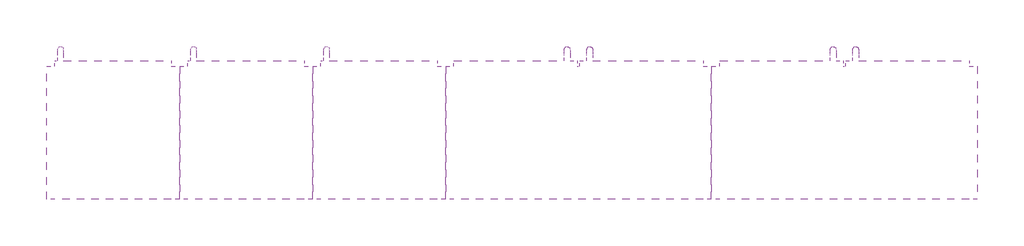
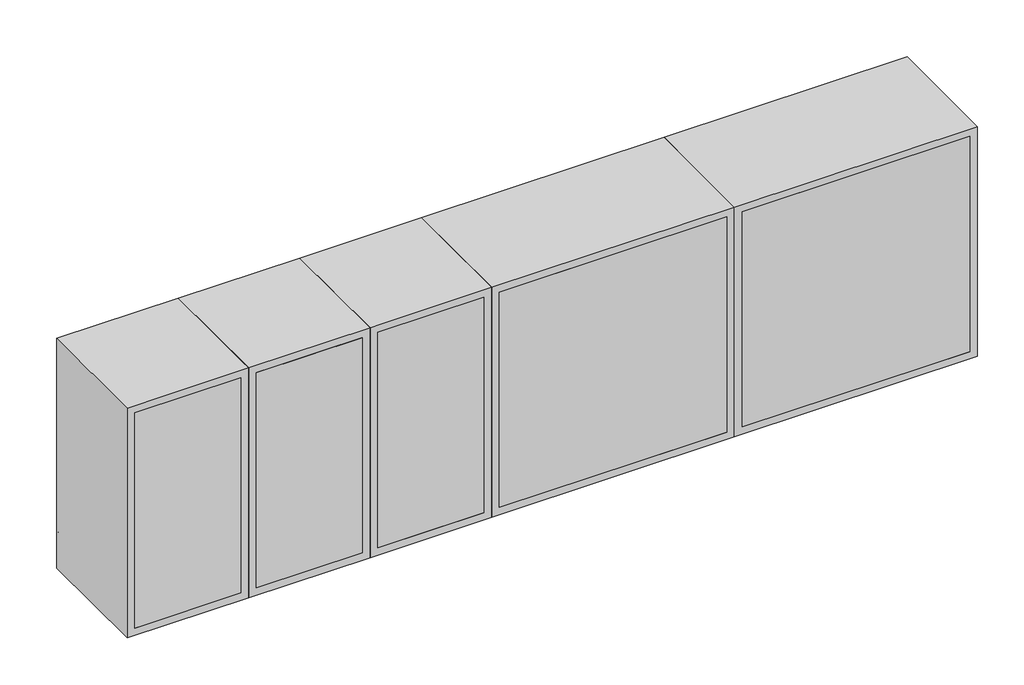
# One storey: 5 furniture elements.
"""IFC4 building model written with IfcOpenShell, lengths in millimetres."""

import ifcopenshell
import ifcopenshell.guid

model = None  # the IFC model being written
_history = None  # IfcOwnerHistory: only IFC2X3 demands one
_inside = {}  # id of a spatial element -> (the spatial element, [elements in it])
_under = {}  # id of a project, library or spatial element -> (it, [spatial elements below it])
_declared = {}  # id of a project -> (the project, [libraries it declares])
_typed = {}  # id of a type object -> (the type object, [elements of that type])
_made_of = {}  # id of a material, layer set ... -> (it, [elements and type objects made of it])


def new_model(schema):
    """Start an empty IFC model of exactly this schema.

    Asked for "IFC4X3", IfcOpenShell would pick the latest addendum, in which some entities
    have other attributes; the version numbers below select the first issue.
    IFC2X3 requires an IfcOwnerHistory on every rooted entity: one is made here for all.
    """
    global model, _history
    if schema == "IFC4X3":
        model = ifcopenshell.file(schema_version=(4, 3, 0, 0))
    else:
        model = ifcopenshell.file(schema=schema)
    _inside.clear()
    _under.clear()
    _declared.clear()
    _typed.clear()
    _made_of.clear()
    _history = None
    if model.schema == "IFC2X3":
        org = make("IfcOrganization", Name="unknown")
        user = make(
            "IfcPersonAndOrganization",
            ThePerson=make("IfcPerson", FamilyName="unknown"),
            TheOrganization=org,
        )
        app = make(
            "IfcApplication",
            ApplicationDeveloper=org,
            Version="unknown",
            ApplicationFullName="unknown",
            ApplicationIdentifier="unknown",
        )
        _history = make(
            "IfcOwnerHistory",
            OwningUser=user,
            OwningApplication=app,
            ChangeAction="ADDED",
            CreationDate=0,
        )
    return model


def make(cls, **values):
    """One entity of the class cls with the attributes given. An attribute that is None is left unset."""
    return model.create_entity(
        cls, **{name: value for name, value in values.items() if value is not None}
    )


def rooted(cls, **values):
    """An entity with a GlobalId (a new one), such as an element, a storey or a relation."""
    return make(cls, GlobalId=ifcopenshell.guid.new(), OwnerHistory=_history, **values)


def si_unit(unit_type, name, prefix=None):
    """IfcSIUnit, for example si_unit("LENGTHUNIT", "METRE", prefix="MILLI")."""
    return make("IfcSIUnit", UnitType=unit_type, Prefix=prefix, Name=name)


def assignment(units):
    """IfcUnitAssignment: the units of a project."""
    return None if units is None else make("IfcUnitAssignment", Units=units)


def point(xyz):
    """IfcCartesianPoint."""
    return None if xyz is None else make("IfcCartesianPoint", Coordinates=xyz)


def direction(xyz):
    """IfcDirection."""
    return None if xyz is None else make("IfcDirection", DirectionRatios=xyz)


def frame(location, z_axis=None, x_axis=None):
    """IfcAxis2Placement3D, a coordinate frame: its origin and axes. An axis left out is left unset."""
    return make(
        "IfcAxis2Placement3D",
        Location=point(location),
        Axis=direction(z_axis),
        RefDirection=direction(x_axis),
    )


def origin():
    """The frame at (0, 0, 0) with its axes left unset."""
    return frame((0.0, 0.0, 0.0))


def place(relative_to, where):
    """IfcLocalPlacement: puts the frame where relative to a parent placement (None: the world)."""
    return make(
        "IfcLocalPlacement", PlacementRelTo=relative_to, RelativePlacement=where
    )


def context(
    kind, dimensions, precision=None, world=None, true_north=None, identifier=None
):
    """IfcGeometricRepresentationContext, for example the 3D "Model" context."""
    return make(
        "IfcGeometricRepresentationContext",
        ContextIdentifier=identifier,
        ContextType=kind,
        CoordinateSpaceDimension=dimensions,
        Precision=precision,
        WorldCoordinateSystem=world,
        TrueNorth=true_north,
    )


def project(units=None, contexts=None):
    """IfcProject with its units and contexts."""
    return rooted(
        "IfcProject",
        Name="project",
        RepresentationContexts=contexts,
        UnitsInContext=assignment(units),
    )


def spatial(cls, under=None, at=None, **own):
    """A site, building, storey or space (cls), placed at a placement, below another one or the project."""
    s = rooted(cls, ObjectPlacement=at, **own)
    if under is not None:
        _under.setdefault(under.id(), (under, []))[1].append(s)
    return s


def polyline(points):
    """IfcPolyline through the points."""
    return make("IfcPolyline", Points=[point(p) for p in points])


def circle_curve(where, radius):
    """IfcCircle in the frame where."""
    return make("IfcCircle", Position=where, Radius=radius)


def ellipse_curve(where, semi_axis1, semi_axis2):
    """IfcEllipse in the frame where."""
    return make(
        "IfcEllipse", Position=where, SemiAxis1=semi_axis1, SemiAxis2=semi_axis2
    )


def trimmed(basis, trim1, trim2, sense, master):
    """IfcTrimmedCurve: the piece of a basis curve between two trims."""
    return make(
        "IfcTrimmedCurve",
        BasisCurve=basis,
        Trim1=trim1,
        Trim2=trim2,
        SenseAgreement=sense,
        MasterRepresentation=master,
    )


def outline(outer, holes=None, kind="AREA"):
    """IfcArbitraryClosedProfileDef: a profile drawn as a closed curve; with holes, ...WithVoids."""
    if holes is None:
        return make("IfcArbitraryClosedProfileDef", ProfileType=kind, OuterCurve=outer)
    return make(
        "IfcArbitraryProfileDefWithVoids",
        ProfileType=kind,
        OuterCurve=outer,
        InnerCurves=holes,
    )


def extrude(swept, where, along, depth):
    """IfcExtrudedAreaSolid: the profile swept, set in the frame where, extruded along a direction by depth."""
    return make(
        "IfcExtrudedAreaSolid",
        SweptArea=swept,
        Position=where,
        ExtrudedDirection=direction(along),
        Depth=depth,
    )


def shape(context_of_items, identifier, shape_type, items):
    """IfcShapeRepresentation: the items that make up one representation, for example the "Body"."""
    return make(
        "IfcShapeRepresentation",
        ContextOfItems=context_of_items,
        RepresentationIdentifier=identifier,
        RepresentationType=shape_type,
        Items=items,
    )


def source(mapping_origin, context_of_items, identifier, shape_type, items):
    """IfcRepresentationMap: a shape defined once, which mapped items show again and again."""
    return make(
        "IfcRepresentationMap",
        MappingOrigin=mapping_origin,
        MappedRepresentation=shape(context_of_items, identifier, shape_type, items),
    )


def transform(
    local_origin,
    x_axis=None,
    y_axis=None,
    z_axis=None,
    scale=None,
    scale2=None,
    scale3=None,
    uniform=True,
):
    """IfcCartesianTransformationOperator3D, or its non-uniform kind. x_axis, y_axis, z_axis: its Axis1, 2, 3."""
    if uniform:
        return make(
            "IfcCartesianTransformationOperator3D",
            Axis1=direction(x_axis),
            Axis2=direction(y_axis),
            LocalOrigin=point(local_origin),
            Scale=scale,
            Axis3=direction(z_axis),
        )
    return make(
        "IfcCartesianTransformationOperator3DnonUniform",
        Axis1=direction(x_axis),
        Axis2=direction(y_axis),
        LocalOrigin=point(local_origin),
        Scale=scale,
        Axis3=direction(z_axis),
        Scale2=scale2,
        Scale3=scale3,
    )


def mapped(mapping_source, mapping_target):
    """IfcMappedItem: shows the shape of a source again, moved by a transform."""
    return make(
        "IfcMappedItem", MappingSource=mapping_source, MappingTarget=mapping_target
    )


def made_of(thing, what):
    """Note that an element or type object is made of a material, layer set ...; save() writes the relation."""
    if what is not None:
        _made_of.setdefault(what.id(), (what, []))[1].append(thing)
    return thing


def element(
    cls,
    number,
    at=None,
    inside=None,
    cuts=None,
    type_object=None,
    material=None,
    context=None,
    identifier="Body",
    shape_type=None,
    held_by="IfcProductDefinitionShape",
    body=None,
    shapes=None,
    **own,
):
    """One element of the class cls, such as IfcWall. Its Tag is "e" and its number.

    at: its placement. inside: the storey or other place that contains it. cuts: it is an
    opening in that element (IfcRelVoidsElement). A single representation is given by context,
    identifier, shape_type and body (its items); several are given by shapes. held_by: the class
    of the entity that holds the representations. save() writes the other relations.
    """
    e = rooted(cls, Tag="e%d" % number, ObjectPlacement=at, **own)
    if body is not None:
        shapes = [shape(context, identifier, shape_type, body)]
    if shapes is not None:
        e.Representation = make(held_by, Representations=shapes)
    if inside is not None:
        _inside.setdefault(inside.id(), (inside, []))[1].append(e)
    if cuts is not None:
        rooted(
            "IfcRelVoidsElement", RelatingBuildingElement=cuts, RelatedOpeningElement=e
        )
    if type_object is not None:
        _typed.setdefault(type_object.id(), (type_object, []))[1].append(e)
    return made_of(e, material)


def aggregate(whole, parts):
    """IfcRelAggregates: a whole, such as a stair, and the parts it consists of."""
    return rooted("IfcRelAggregates", RelatingObject=whole, RelatedObjects=parts)


def save(model, path):
    """Write the relations noted so far, then the file.

    IfcRelAggregates (storeys below a building ...), IfcRelContainedInSpatialStructure (elements
    in a storey), IfcRelDefinesByType, IfcRelAssociatesMaterial and IfcRelDeclares: one each for
    every whole, place, type object, material and project.
    """
    for whole, parts in _under.values():
        aggregate(whole, parts)
    for where, things in _inside.values():
        rooted(
            "IfcRelContainedInSpatialStructure",
            RelatedElements=things,
            RelatingStructure=where,
        )
    for kind, things in _typed.values():
        rooted("IfcRelDefinesByType", RelatedObjects=things, RelatingType=kind)
    for what, things in _made_of.values():
        rooted("IfcRelAssociatesMaterial", RelatedObjects=things, RelatingMaterial=what)
    for by, libraries in _declared.values():
        rooted("IfcRelDeclares", RelatingContext=by, RelatedDefinitions=libraries)
    model.write(path)


def plane_surface(at):
    """IfcPlane: the flat surface through the origin of the frame at, square to its z axis."""
    return make("IfcPlane", Position=at)


def cylinder_surface(at, radius):
    """IfcCylindricalSurface: all points at the distance radius from the z axis of the frame at."""
    return make("IfcCylindricalSurface", Position=at, Radius=radius)


def revolved_surface(curve, axis_point, axis_direction):
    """IfcSurfaceOfRevolution: the curve turned about the line through axis_point along axis_direction."""
    return make(
        "IfcSurfaceOfRevolution",
        SweptCurve=make("IfcArbitraryOpenProfileDef", ProfileType="CURVE", Curve=curve),
        AxisPosition=make("IfcAxis1Placement", Location=point(axis_point), Axis=direction(axis_direction)),
    )


def advanced_brep(points, edges, surfaces, faces):
    """IfcAdvancedBrep: a solid bounded by faces that lie on surfaces and meet in shared edges.

    An edge is (start, end): straight between two places in points (the first is 0);
    or (start, end, curve); or (start, end, curve, False) where it runs against its curve.
    A face is (place in surfaces, loops), or (place, loops, False) where it looks against
    its surface's normal. A loop lists edges by number (the first is 1), with a minus sign
    where the edge is run from its end to its start. The first loop is the outer one.
    """
    corners = [point(p) for p in points]
    vertices = [make("IfcVertexPoint", VertexGeometry=c) for c in corners]
    made = []
    for start, end, *more in edges:
        made.append(
            make(
                "IfcEdgeCurve",
                EdgeStart=vertices[start],
                EdgeEnd=vertices[end],
                EdgeGeometry=more[0] if more else make("IfcPolyline", Points=[corners[start], corners[end]]),
                SameSense=more[1] if len(more) > 1 else True,
            )
        )
    hull = []
    for where, loops, *sense in faces:
        bounds = []
        for j, loop in enumerate(loops):
            ring = [make("IfcOrientedEdge", EdgeElement=made[abs(k) - 1], Orientation=k > 0) for k in loop]
            bounds.append(
                make(
                    "IfcFaceOuterBound" if j == 0 else "IfcFaceBound",
                    Bound=make("IfcEdgeLoop", EdgeList=ring),
                    Orientation=True,
                )
            )
        hull.append(make("IfcAdvancedFace", Bounds=bounds, FaceSurface=surfaces[where], SameSense=sense[0] if sense else True))
    return make("IfcAdvancedBrep", Outer=make("IfcClosedShell", CfsFaces=hull))


def furniture_300mm_b0da5541(model_context):
    return source(origin(), model_context, "Body", "SolidModel", [
        advanced_brep(
        [(-88.4788372, 412.7, 1546.05), (-88.4788372, 412.7, 1558.75), (-88.4788372, 425.4, 1546.05), (-88.4788372, 425.4, 1558.75), (-88.4788372, 444.45, 1539.7), (-88.4788372, 431.75, 1539.7), (-88.4788372, 431.75, 1463.5), (-88.4788372, 444.45, 1463.5), (-88.4788372, 425.4, 1444.45), (-88.4788372, 425.4, 1457.15), (-88.4788372, 412.7, 1457.15), (-88.4788372, 412.7, 1444.45)],
        [
            (0, 1, circle_curve(frame((-88.4788372, 412.7, 1552.4), z_axis=(0.0, -1.0, 0.0), x_axis=(0.0, 0.0, 1.0)), 6.35)),
            (1, 0, circle_curve(frame((-88.4788372, 412.7, 1552.4), z_axis=(0.0, -1.0, 0.0), x_axis=(0.0, 0.0, 1.0)), 6.35)),
            (0, 2),
            (2, 3, circle_curve(frame((-88.4788372, 425.4, 1552.4), z_axis=(0.0, -1.0, 0.0), x_axis=(0.0, 0.0, 1.0)), 6.35)),
            (3, 1),
            (3, 2, circle_curve(frame((-88.4788372, 425.4, 1552.4), z_axis=(0.0, -1.0, 0.0), x_axis=(0.0, 0.0, 1.0)), 6.35)),
            (4, 3, circle_curve(frame((-88.4788372, 425.4, 1539.7), z_axis=(1.0, 0.0, 0.0), x_axis=(0.0, 0.0, 1.0)), 19.05)),
            (2, 5, circle_curve(frame((-88.4788372, 425.4, 1539.7), z_axis=(-1.0, 0.0, 0.0), x_axis=(0.0, 0.0, 1.0)), 6.35)),
            (5, 4, circle_curve(frame((-88.4788372, 438.1, 1539.7), z_axis=(0.0, 0.0, 1.0), x_axis=(0.0, 1.0, 0.0)), 6.35)),
            (4, 5, circle_curve(frame((-88.4788372, 438.1, 1539.7), z_axis=(0.0, 0.0, 1.0), x_axis=(0.0, 1.0, 0.0)), 6.35)),
            (5, 6),
            (6, 7, circle_curve(frame((-88.4788372, 438.1, 1463.5), z_axis=(0.0, 0.0, 1.0), x_axis=(0.0, 1.0, 0.0)), 6.35)),
            (7, 4),
            (7, 6, circle_curve(frame((-88.4788372, 438.1, 1463.5), z_axis=(0.0, 0.0, 1.0), x_axis=(0.0, 1.0, 0.0)), 6.35)),
            (8, 7, circle_curve(frame((-88.4788372, 425.4, 1463.5), z_axis=(1.0, 0.0, 0.0), x_axis=(0.0, 1.0, 0.0)), 19.05)),
            (6, 9, circle_curve(frame((-88.4788372, 425.4, 1463.5), z_axis=(-1.0, 0.0, 0.0), x_axis=(0.0, 1.0, 0.0)), 6.35)),
            (9, 8, circle_curve(frame((-88.4788372, 425.4, 1450.8), z_axis=(0.0, 1.0, 0.0), x_axis=(0.0, 0.0, -1.0)), 6.35)),
            (8, 9, circle_curve(frame((-88.4788372, 425.4, 1450.8), z_axis=(0.0, 1.0, 0.0), x_axis=(0.0, 0.0, -1.0)), 6.35)),
            (10, 11, circle_curve(frame((-88.4788372, 412.7, 1450.8), z_axis=(0.0, -1.0, 0.0), x_axis=(0.0, 0.0, -1.0)), 6.35)),
            (11, 10, circle_curve(frame((-88.4788372, 412.7, 1450.8), z_axis=(0.0, -1.0, 0.0), x_axis=(0.0, 0.0, -1.0)), 6.35)),
            (9, 10),
            (11, 8),
        ],
        [
            plane_surface(frame((-94.8288372, 412.7, 1552.4), z_axis=(0.0, -1.0, 0.0), x_axis=(0.0, 0.0, 1.0))),
            cylinder_surface(frame((-88.4788372, 412.7, 1552.4), z_axis=(0.0, -1.0, 0.0), x_axis=(0.0, 0.0, 1.0)), 6.35),
            revolved_surface(trimmed(ellipse_curve(frame((-88.4788372, 425.4, 1552.4), z_axis=(0.0, -1.0, 0.0), x_axis=(0.0, 0.0, 1.0)), 6.35, 6.35), [point((-88.4788372, 425.4, 1546.05))], [point((-88.4788372, 425.4, 1558.75))], True, "CARTESIAN"), (-88.4788372, 425.4, 1539.7), (-1.0, 0.0, 0.0)),
            revolved_surface(trimmed(ellipse_curve(frame((-88.4788372, 425.4, 1552.4), z_axis=(0.0, -1.0, 0.0), x_axis=(0.0, 0.0, 1.0)), 6.35, 6.35), [point((-88.4788372, 425.4, 1558.75))], [point((-88.4788372, 425.4, 1546.05))], True, "CARTESIAN"), (-88.4788372, 425.4, 1539.7), (-1.0, 0.0, 0.0)),
            cylinder_surface(frame((-88.4788372, 438.1, 1539.7), z_axis=(0.0, 0.0, 1.0), x_axis=(0.0, 1.0, 0.0)), 6.35),
            revolved_surface(trimmed(ellipse_curve(frame((-88.4788372, 438.1, 1463.5), z_axis=(0.0, 0.0, 1.0), x_axis=(0.0, 1.0, 0.0)), 6.35, 6.35), [point((-88.4788372, 431.75, 1463.5))], [point((-88.4788372, 444.45, 1463.5))], True, "CARTESIAN"), (-88.4788372, 425.4, 1463.5), (-1.0, 0.0, 0.0)),
            revolved_surface(trimmed(ellipse_curve(frame((-88.4788372, 438.1, 1463.5), z_axis=(0.0, 0.0, 1.0), x_axis=(0.0, 1.0, 0.0)), 6.35, 6.35), [point((-88.4788372, 444.45, 1463.5))], [point((-88.4788372, 431.75, 1463.5))], True, "CARTESIAN"), (-88.4788372, 425.4, 1463.5), (-1.0, 0.0, 0.0)),
            plane_surface(frame((-94.8288372, 412.7, 1450.8), z_axis=(0.0, -1.0, 0.0), x_axis=(0.0, 0.0, -1.0))),
            cylinder_surface(frame((-88.4788372, 425.4, 1450.8), z_axis=(0.0, 1.0, 0.0), x_axis=(0.0, 0.0, -1.0)), 6.35),
        ],
        [
            (0, [[1, 2]]),
            (1, [[-1, 3, 4, 5]]),
            (1, [[-2, -5, 6, -3]]),
            (2, [[7, -4, 8, 9]]),
            (3, [[-8, -6, -7, 10]]),
            (4, [[-9, 11, 12, 13]]),
            (4, [[-10, -13, 14, -11]]),
            (5, [[15, -12, 16, 17]]),
            (6, [[-16, -14, -15, 18]]),
            (7, [[19, 20]]),
            (8, [[-17, 21, -20, 22]]),
            (8, [[-18, -22, -19, -21]]),
        ],
    ),
        extrude(outline(polyline([(-101.1788372, 412.7), (160.7211628, 412.7), (160.7211628, 380.95), (-101.1788372, 380.95), (-101.1788372, 412.7)])), frame((0.0, 0.0, 1419.05), z_axis=(0.0, 0.0, 1.0), x_axis=(1.0, 0.0, 0.0)), (0.0, 0.0, 1.0), 561.9),
        extrude(outline(polyline([(160.7211628, 100.0), (-101.1788372, 100.0), (-101.1788372, 119.05), (160.7211628, 119.05), (160.7211628, 100.0)])), frame((0.0, 0.0, 1419.05), z_axis=(0.0, 0.0, 1.0), x_axis=(1.0, 0.0, 0.0)), (0.0, 0.0, 1.0), 561.9),
        extrude(outline(polyline([(2000.0, -120.2288372), (1400.0, -120.2288372), (1400.0, 179.7711628), (2000.0, 179.7711628), (2000.0, -120.2288372)]), holes=[polyline([(1980.95, -101.1788372), (1980.95, 160.7211628), (1419.05, 160.7211628), (1419.05, -101.1788372), (1980.95, -101.1788372)])]), frame((0.0, 100.0, 0.0), z_axis=(0.0, 1.0, 0.0), x_axis=(0.0, 0.0, 1.0)), (0.0, 0.0, 1.0), 300.0),
    ])


def furniture_600mm_93809998(model_context):
    return source(origin(), model_context, "Body", "SolidModel", [
        advanced_brep(
        [(55.1711628, 412.7, 1546.05), (55.1711628, 412.7, 1558.75), (55.1711628, 425.4, 1546.05), (55.1711628, 425.4, 1558.75), (55.1711628, 444.45, 1539.7), (55.1711628, 431.75, 1539.7), (55.1711628, 431.75, 1463.5), (55.1711628, 444.45, 1463.5), (55.1711628, 425.4, 1444.45), (55.1711628, 425.4, 1457.15), (55.1711628, 412.7, 1457.15), (55.1711628, 412.7, 1444.45)],
        [
            (0, 1, circle_curve(frame((55.1711628, 412.7, 1552.4), z_axis=(0.0, -1.0, 0.0), x_axis=(0.0, 0.0, -1.0)), 6.35)),
            (1, 0, circle_curve(frame((55.1711628, 412.7, 1552.4), z_axis=(0.0, -1.0, 0.0), x_axis=(0.0, 0.0, -1.0)), 6.35)),
            (0, 2),
            (2, 3, circle_curve(frame((55.1711628, 425.4, 1552.4), z_axis=(0.0, -1.0, 0.0), x_axis=(0.0, 0.0, -1.0)), 6.35)),
            (3, 1),
            (3, 2, circle_curve(frame((55.1711628, 425.4, 1552.4), z_axis=(0.0, -1.0, 0.0), x_axis=(0.0, 0.0, -1.0)), 6.35)),
            (4, 3, circle_curve(frame((55.1711628, 425.4, 1539.7), z_axis=(1.0, 0.0, 0.0), x_axis=(0.0, 0.0, 1.0)), 19.05)),
            (2, 5, circle_curve(frame((55.1711628, 425.4, 1539.7), z_axis=(-1.0, 0.0, 0.0), x_axis=(0.0, 0.0, 1.0)), 6.35)),
            (5, 4, circle_curve(frame((55.1711628, 438.1, 1539.7), z_axis=(0.0, 0.0, 1.0), x_axis=(0.0, -1.0, 0.0)), 6.35)),
            (4, 5, circle_curve(frame((55.1711628, 438.1, 1539.7), z_axis=(0.0, 0.0, 1.0), x_axis=(0.0, -1.0, 0.0)), 6.35)),
            (5, 6),
            (6, 7, circle_curve(frame((55.1711628, 438.1, 1463.5), z_axis=(0.0, 0.0, 1.0), x_axis=(0.0, -1.0, 0.0)), 6.35)),
            (7, 4),
            (7, 6, circle_curve(frame((55.1711628, 438.1, 1463.5), z_axis=(0.0, 0.0, 1.0), x_axis=(0.0, -1.0, 0.0)), 6.35)),
            (8, 7, circle_curve(frame((55.1711628, 425.4, 1463.5), z_axis=(1.0, 0.0, 0.0), x_axis=(0.0, 1.0, 0.0)), 19.05)),
            (6, 9, circle_curve(frame((55.1711628, 425.4, 1463.5), z_axis=(-1.0, 0.0, 0.0), x_axis=(0.0, 1.0, 0.0)), 6.35)),
            (9, 8, circle_curve(frame((55.1711628, 425.4, 1450.8), z_axis=(0.0, 1.0, 0.0), x_axis=(0.0, 0.0, 1.0)), 6.35)),
            (8, 9, circle_curve(frame((55.1711628, 425.4, 1450.8), z_axis=(0.0, 1.0, 0.0), x_axis=(0.0, 0.0, 1.0)), 6.35)),
            (10, 11, circle_curve(frame((55.1711628, 412.7, 1450.8), z_axis=(0.0, -1.0, 0.0), x_axis=(0.0, 0.0, 1.0)), 6.35)),
            (11, 10, circle_curve(frame((55.1711628, 412.7, 1450.8), z_axis=(0.0, -1.0, 0.0), x_axis=(0.0, 0.0, 1.0)), 6.35)),
            (9, 10),
            (11, 8),
        ],
        [
            plane_surface(frame((48.8211628, 412.7, 1552.4), z_axis=(0.0, -1.0, 0.0), x_axis=(0.0, 0.0, 1.0))),
            cylinder_surface(frame((55.1711628, 412.7, 1552.4), z_axis=(0.0, -1.0, 0.0), x_axis=(0.0, 0.0, -1.0)), 6.35),
            revolved_surface(trimmed(ellipse_curve(frame((55.1711628, 425.4, 1552.4), z_axis=(0.0, -1.0, 0.0), x_axis=(0.0, 0.0, -1.0)), 6.35, 6.35), [point((55.1711628, 425.4, 1546.05))], [point((55.1711628, 425.4, 1558.75))], True, "CARTESIAN"), (55.1711628, 425.4, 1539.7), (-1.0, 0.0, 0.0)),
            revolved_surface(trimmed(ellipse_curve(frame((55.1711628, 425.4, 1552.4), z_axis=(0.0, -1.0, 0.0), x_axis=(0.0, 0.0, -1.0)), 6.35, 6.35), [point((55.1711628, 425.4, 1558.75))], [point((55.1711628, 425.4, 1546.05))], True, "CARTESIAN"), (55.1711628, 425.4, 1539.7), (-1.0, 0.0, 0.0)),
            cylinder_surface(frame((55.1711628, 438.1, 1539.7), z_axis=(0.0, 0.0, 1.0), x_axis=(0.0, -1.0, 0.0)), 6.35),
            revolved_surface(trimmed(ellipse_curve(frame((55.1711628, 438.1, 1463.5), z_axis=(0.0, 0.0, 1.0), x_axis=(0.0, -1.0, 0.0)), 6.35, 6.35), [point((55.1711628, 431.75, 1463.5))], [point((55.1711628, 444.45, 1463.5))], True, "CARTESIAN"), (55.1711628, 425.4, 1463.5), (-1.0, 0.0, 0.0)),
            revolved_surface(trimmed(ellipse_curve(frame((55.1711628, 438.1, 1463.5), z_axis=(0.0, 0.0, 1.0), x_axis=(0.0, -1.0, 0.0)), 6.35, 6.35), [point((55.1711628, 444.45, 1463.5))], [point((55.1711628, 431.75, 1463.5))], True, "CARTESIAN"), (55.1711628, 425.4, 1463.5), (-1.0, 0.0, 0.0)),
            plane_surface(frame((48.8211628, 412.7, 1450.8), z_axis=(0.0, -1.0, 0.0), x_axis=(0.0, 0.0, -1.0))),
            cylinder_surface(frame((55.1711628, 425.4, 1450.8), z_axis=(0.0, 1.0, 0.0), x_axis=(0.0, 0.0, 1.0)), 6.35),
        ],
        [
            (0, [[1, 2]]),
            (1, [[-1, 3, 4, 5]]),
            (1, [[-2, -5, 6, -3]]),
            (2, [[7, -4, 8, 9]]),
            (3, [[-8, -6, -7, 10]]),
            (4, [[-9, 11, 12, 13]]),
            (4, [[-10, -13, 14, -11]]),
            (5, [[15, -12, 16, 17]]),
            (6, [[-16, -14, -15, 18]]),
            (7, [[19, 20]]),
            (8, [[-17, 21, -20, 22]]),
            (8, [[-18, -22, -19, -21]]),
        ],
    ),
        advanced_brep(
        [(4.3711628, 412.7, 1546.05), (4.3711628, 412.7, 1558.75), (4.3711628, 425.4, 1546.05), (4.3711628, 425.4, 1558.75), (4.3711628, 444.45, 1539.7), (4.3711628, 431.75, 1539.7), (4.3711628, 431.75, 1463.5), (4.3711628, 444.45, 1463.5), (4.3711628, 425.4, 1444.45), (4.3711628, 425.4, 1457.15), (4.3711628, 412.7, 1457.15), (4.3711628, 412.7, 1444.45)],
        [
            (0, 1, circle_curve(frame((4.3711628, 412.7, 1552.4), z_axis=(0.0, -1.0, 0.0), x_axis=(0.0, 0.0, 1.0)), 6.35)),
            (1, 0, circle_curve(frame((4.3711628, 412.7, 1552.4), z_axis=(0.0, -1.0, 0.0), x_axis=(0.0, 0.0, 1.0)), 6.35)),
            (0, 2),
            (2, 3, circle_curve(frame((4.3711628, 425.4, 1552.4), z_axis=(0.0, -1.0, 0.0), x_axis=(0.0, 0.0, 1.0)), 6.35)),
            (3, 1),
            (3, 2, circle_curve(frame((4.3711628, 425.4, 1552.4), z_axis=(0.0, -1.0, 0.0), x_axis=(0.0, 0.0, 1.0)), 6.35)),
            (4, 3, circle_curve(frame((4.3711628, 425.4, 1539.7), z_axis=(1.0, 0.0, 0.0), x_axis=(0.0, 0.0, 1.0)), 19.05)),
            (2, 5, circle_curve(frame((4.3711628, 425.4, 1539.7), z_axis=(-1.0, 0.0, 0.0), x_axis=(0.0, 0.0, 1.0)), 6.35)),
            (5, 4, circle_curve(frame((4.3711628, 438.1, 1539.7), z_axis=(0.0, 0.0, 1.0), x_axis=(0.0, 1.0, 0.0)), 6.35)),
            (4, 5, circle_curve(frame((4.3711628, 438.1, 1539.7), z_axis=(0.0, 0.0, 1.0), x_axis=(0.0, 1.0, 0.0)), 6.35)),
            (5, 6),
            (6, 7, circle_curve(frame((4.3711628, 438.1, 1463.5), z_axis=(0.0, 0.0, 1.0), x_axis=(0.0, 1.0, 0.0)), 6.35)),
            (7, 4),
            (7, 6, circle_curve(frame((4.3711628, 438.1, 1463.5), z_axis=(0.0, 0.0, 1.0), x_axis=(0.0, 1.0, 0.0)), 6.35)),
            (8, 7, circle_curve(frame((4.3711628, 425.4, 1463.5), z_axis=(1.0, 0.0, 0.0), x_axis=(0.0, 1.0, 0.0)), 19.05)),
            (6, 9, circle_curve(frame((4.3711628, 425.4, 1463.5), z_axis=(-1.0, 0.0, 0.0), x_axis=(0.0, 1.0, 0.0)), 6.35)),
            (9, 8, circle_curve(frame((4.3711628, 425.4, 1450.8), z_axis=(0.0, 1.0, 0.0), x_axis=(0.0, 0.0, -1.0)), 6.35)),
            (8, 9, circle_curve(frame((4.3711628, 425.4, 1450.8), z_axis=(0.0, 1.0, 0.0), x_axis=(0.0, 0.0, -1.0)), 6.35)),
            (10, 11, circle_curve(frame((4.3711628, 412.7, 1450.8), z_axis=(0.0, -1.0, 0.0), x_axis=(0.0, 0.0, -1.0)), 6.35)),
            (11, 10, circle_curve(frame((4.3711628, 412.7, 1450.8), z_axis=(0.0, -1.0, 0.0), x_axis=(0.0, 0.0, -1.0)), 6.35)),
            (9, 10),
            (11, 8),
        ],
        [
            plane_surface(frame((-1.9788372, 412.7, 1552.4), z_axis=(0.0, -1.0, 0.0), x_axis=(0.0, 0.0, 1.0))),
            cylinder_surface(frame((4.3711628, 412.7, 1552.4), z_axis=(0.0, -1.0, 0.0), x_axis=(0.0, 0.0, 1.0)), 6.35),
            revolved_surface(trimmed(ellipse_curve(frame((4.3711628, 425.4, 1552.4), z_axis=(0.0, -1.0, 0.0), x_axis=(0.0, 0.0, 1.0)), 6.35, 6.35), [point((4.3711628, 425.4, 1546.05))], [point((4.3711628, 425.4, 1558.75))], True, "CARTESIAN"), (4.3711628, 425.4, 1539.7), (-1.0, 0.0, 0.0)),
            revolved_surface(trimmed(ellipse_curve(frame((4.3711628, 425.4, 1552.4), z_axis=(0.0, -1.0, 0.0), x_axis=(0.0, 0.0, 1.0)), 6.35, 6.35), [point((4.3711628, 425.4, 1558.75))], [point((4.3711628, 425.4, 1546.05))], True, "CARTESIAN"), (4.3711628, 425.4, 1539.7), (-1.0, 0.0, 0.0)),
            cylinder_surface(frame((4.3711628, 438.1, 1539.7), z_axis=(0.0, 0.0, 1.0), x_axis=(0.0, 1.0, 0.0)), 6.35),
            revolved_surface(trimmed(ellipse_curve(frame((4.3711628, 438.1, 1463.5), z_axis=(0.0, 0.0, 1.0), x_axis=(0.0, 1.0, 0.0)), 6.35, 6.35), [point((4.3711628, 431.75, 1463.5))], [point((4.3711628, 444.45, 1463.5))], True, "CARTESIAN"), (4.3711628, 425.4, 1463.5), (-1.0, 0.0, 0.0)),
            revolved_surface(trimmed(ellipse_curve(frame((4.3711628, 438.1, 1463.5), z_axis=(0.0, 0.0, 1.0), x_axis=(0.0, 1.0, 0.0)), 6.35, 6.35), [point((4.3711628, 444.45, 1463.5))], [point((4.3711628, 431.75, 1463.5))], True, "CARTESIAN"), (4.3711628, 425.4, 1463.5), (-1.0, 0.0, 0.0)),
            plane_surface(frame((-1.9788372, 412.7, 1450.8), z_axis=(0.0, -1.0, 0.0), x_axis=(0.0, 0.0, -1.0))),
            cylinder_surface(frame((4.3711628, 425.4, 1450.8), z_axis=(0.0, 1.0, 0.0), x_axis=(0.0, 0.0, -1.0)), 6.35),
        ],
        [
            (0, [[1, 2]]),
            (1, [[-1, 3, 4, 5]]),
            (1, [[-2, -5, 6, -3]]),
            (2, [[7, -4, 8, 9]]),
            (3, [[-8, -6, -7, 10]]),
            (4, [[-9, 11, 12, 13]]),
            (4, [[-10, -13, 14, -11]]),
            (5, [[15, -12, 16, 17]]),
            (6, [[-16, -14, -15, 18]]),
            (7, [[19, 20]]),
            (8, [[-17, 21, -20, 22]]),
            (8, [[-18, -22, -19, -21]]),
        ],
    ),
        extrude(outline(polyline([(32.9461628, 412.7), (310.7211628, 412.7), (310.7211628, 380.95), (32.9461628, 380.95), (32.9461628, 412.7)])), frame((0.0, 0.0, 1419.05), z_axis=(0.0, 0.0, 1.0), x_axis=(1.0, 0.0, 0.0)), (0.0, 0.0, 1.0), 561.9),
        extrude(outline(polyline([(-251.1788372, 412.7), (26.5961628, 412.7), (26.5961628, 380.95), (-251.1788372, 380.95), (-251.1788372, 412.7)])), frame((0.0, 0.0, 1419.05), z_axis=(0.0, 0.0, 1.0), x_axis=(1.0, 0.0, 0.0)), (0.0, 0.0, 1.0), 561.9),
        extrude(outline(polyline([(310.7211628, 100.0), (-251.1788372, 100.0), (-251.1788372, 119.05), (310.7211628, 119.05), (310.7211628, 100.0)])), frame((0.0, 0.0, 1419.05), z_axis=(0.0, 0.0, 1.0), x_axis=(1.0, 0.0, 0.0)), (0.0, 0.0, 1.0), 561.9),
        extrude(outline(polyline([(2000.0, -270.2288372), (1400.0, -270.2288372), (1400.0, 329.7711628), (2000.0, 329.7711628), (2000.0, -270.2288372)]), holes=[polyline([(1980.95, -251.1788372), (1980.95, 310.7211628), (1419.05, 310.7211628), (1419.05, -251.1788372), (1980.95, -251.1788372)])]), frame((0.0, 100.0, 0.0), z_axis=(0.0, 1.0, 0.0), x_axis=(0.0, 0.0, 1.0)), (0.0, 0.0, 1.0), 300.0),
    ])


model = new_model("IFC4")

# Units and contexts
model_context = context("Model", 3, world=origin())
ifc_project = project(units=[si_unit("LENGTHUNIT", "METRE", prefix="MILLI")], contexts=[model_context])

# Site, building, storey
site = spatial("IfcSite", under=ifc_project)
building = spatial("IfcBuilding", under=site)
storey = spatial("IfcBuildingStorey", under=building, Elevation=-50.0)

# Furniture
placement = place(None, origin())
furniture_300mm_shape = furniture_300mm_b0da5541(model_context)
element("IfcFurniture", 1, ObjectType="300mm", at=placement, inside=storey, context=model_context, shape_type="MappedRepresentation", body=[
    mapped(furniture_300mm_shape, transform((-3275.4945635, 2153.5506112, -50.0), x_axis=(1.0, 0.0, 0.0), y_axis=(0.0, 1.0, 0.0), z_axis=(0.0, 0.0, 1.0))),
])
element("IfcFurniture", 2, ObjectType="300mm", at=placement, inside=storey, context=model_context, shape_type="MappedRepresentation", body=[
    mapped(furniture_300mm_shape, transform((-3575.4945635, 2153.5506112, -50.0), x_axis=(1.0, 0.0, 0.0), y_axis=(0.0, 1.0, 0.0), z_axis=(0.0, 0.0, 1.0))),
])
element("IfcFurniture", 3, ObjectType="300mm", at=placement, inside=storey, context=model_context, shape_type="MappedRepresentation", body=[
    mapped(furniture_300mm_shape, transform((-3875.4945635, 2153.5506112, -50.0), x_axis=(1.0, 0.0, 0.0), y_axis=(0.0, 1.0, 0.0), z_axis=(0.0, 0.0, 1.0))),
])
furniture_600mm_shape = furniture_600mm_93809998(model_context)
element("IfcFurniture", 4, ObjectType="600mm", at=placement, inside=storey, context=model_context, shape_type="MappedRepresentation", body=[
    mapped(furniture_600mm_shape, transform((-2225.4945635, 2153.5506112, -50.0), x_axis=(1.0, 0.0, 0.0), y_axis=(0.0, 1.0, 0.0), z_axis=(0.0, 0.0, 1.0))),
])
element("IfcFurniture", 5, ObjectType="600mm", at=placement, inside=storey, context=model_context, shape_type="MappedRepresentation", body=[
    mapped(furniture_600mm_shape, transform((-2825.4945635, 2153.5506112, -50.0), x_axis=(1.0, 0.0, 0.0), y_axis=(0.0, 1.0, 0.0), z_axis=(0.0, 0.0, 1.0))),
])

save(model, "model.ifc")
